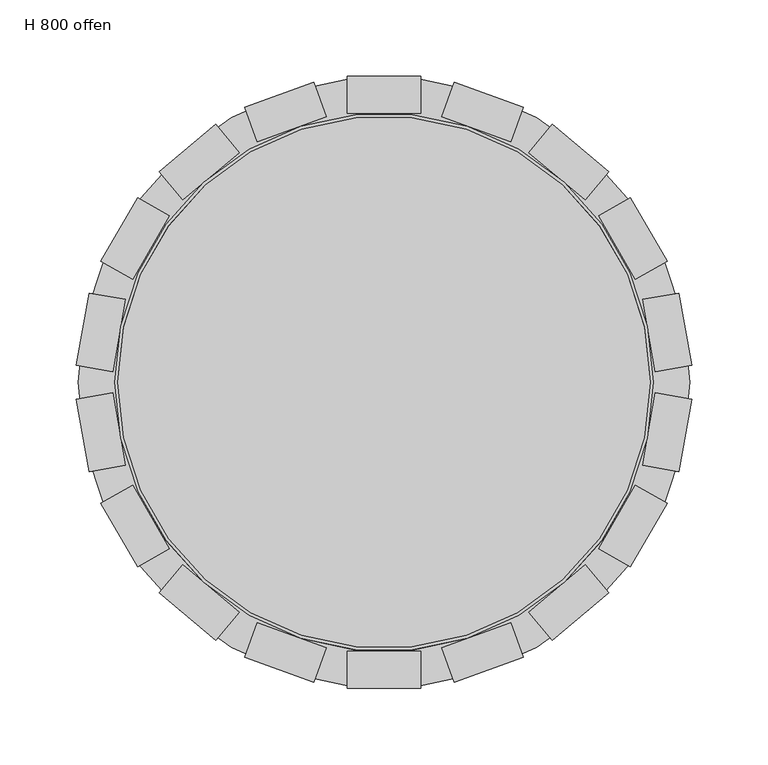
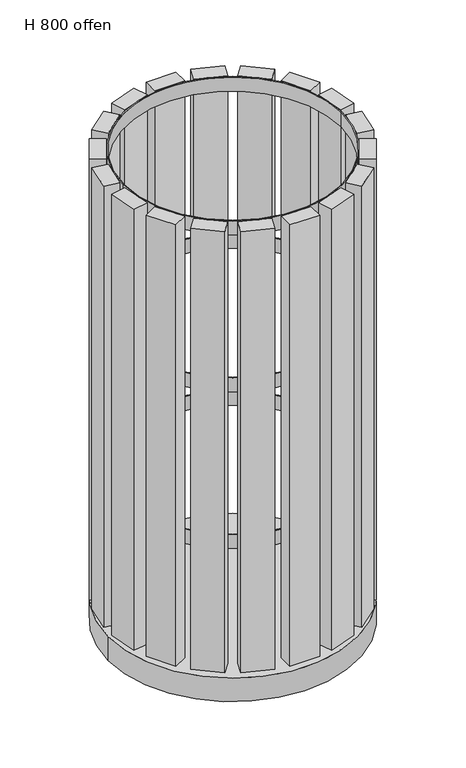
"""IFC4 building model written with IfcOpenShell, lengths in millimetres: proxy geometry, H 800 offen."""

from ifc_helpers import new_model, si_unit, point, frame, origin, origin_with_axes, origin_2d, place, context, project, spatial, polyline, circle_curve, trimmed, segment, composite_curve, outline, extrude, source, transform, mapped, element, save


def h_800_offen_db2ab96f(model_context):
    return source(origin(), model_context, "Body", "SweptSolid", [
        extrude(outline(composite_curve([segment(trimmed(circle_curve(origin_2d(), 176.0), [point((-176.0, 0.0))], [point((176.0, 0.0))], False, "CARTESIAN"), True, "CONTINUOUS"), segment(trimmed(circle_curve(origin_2d(), 176.0), [point((176.0, 0.0))], [point((-176.0, 0.0))], False, "CARTESIAN"), True, "CONTINUOUS")], self_intersect=False), holes=[composite_curve([segment(trimmed(circle_curve(origin_2d(), 174.0), [point((174.0, 0.0))], [point((-174.0, 0.0))], True, "CARTESIAN"), True, "CONTINUOUS"), segment(trimmed(circle_curve(origin_2d(), 174.0), [point((-174.0, 0.0))], [point((174.0, 0.0))], True, "CARTESIAN"), True, "CONTINUOUS")], self_intersect=False)]), frame((0.0, 0.0, 242.6666667), z_axis=(0.0, 0.0, 1.0), x_axis=(1.0, 0.0, 0.0)), (0.0, 0.0, 1.0), 24.0),
        extrude(outline(composite_curve([segment(trimmed(circle_curve(origin_2d(), 176.0), [point((-176.0, 0.0))], [point((176.0, 0.0))], False, "CARTESIAN"), True, "CONTINUOUS"), segment(trimmed(circle_curve(origin_2d(), 176.0), [point((176.0, 0.0))], [point((-176.0, 0.0))], False, "CARTESIAN"), True, "CONTINUOUS")], self_intersect=False), holes=[composite_curve([segment(trimmed(circle_curve(origin_2d(), 174.0), [point((174.0, 0.0))], [point((-174.0, 0.0))], True, "CARTESIAN"), True, "CONTINUOUS"), segment(trimmed(circle_curve(origin_2d(), 174.0), [point((-174.0, 0.0))], [point((174.0, 0.0))], True, "CARTESIAN"), True, "CONTINUOUS")], self_intersect=False)]), frame((0.0, 0.0, 509.3333333), z_axis=(0.0, 0.0, 1.0), x_axis=(1.0, 0.0, 0.0)), (0.0, 0.0, 1.0), 24.0),
        extrude(outline(composite_curve([segment(trimmed(circle_curve(origin_2d(), 176.0), [point((-176.0, 0.0))], [point((176.0, 0.0))], False, "CARTESIAN"), True, "CONTINUOUS"), segment(trimmed(circle_curve(origin_2d(), 176.0), [point((176.0, 0.0))], [point((-176.0, 0.0))], False, "CARTESIAN"), True, "CONTINUOUS")], self_intersect=False), holes=[composite_curve([segment(trimmed(circle_curve(origin_2d(), 174.0), [point((174.0, 0.0))], [point((-174.0, 0.0))], True, "CARTESIAN"), True, "CONTINUOUS"), segment(trimmed(circle_curve(origin_2d(), 174.0), [point((-174.0, 0.0))], [point((174.0, 0.0))], True, "CARTESIAN"), True, "CONTINUOUS")], self_intersect=False)]), frame((0.0, 0.0, 776.0), z_axis=(0.0, 0.0, 1.0), x_axis=(1.0, 0.0, 0.0)), (0.0, 0.0, 1.0), 24.0),
        extrude(outline(composite_curve([segment(trimmed(circle_curve(origin_2d(), 200.0), [point((-200.0, 0.0))], [point((200.0, 0.0))], False, "CARTESIAN"), True, "CONTINUOUS"), segment(trimmed(circle_curve(origin_2d(), 200.0), [point((200.0, 0.0))], [point((-200.0, 0.0))], False, "CARTESIAN"), True, "CONTINUOUS")], self_intersect=False)), origin_with_axes(), (0.0, 0.0, 1.0), 40.0),
        extrude(outline(polyline([(146.9425886, 137.781986), (131.5156859, 119.3969194), (94.7455527, 150.2507246), (110.1724553, 168.6357913), (146.9425886, 137.781986)])), frame((0.0, 0.0, 50.0), z_axis=(0.0, 0.0, 1.0), x_axis=(1.0, 0.0, 0.0)), (0.0, 0.0, 1.0), 750.0),
        extrude(outline(polyline([(185.2050808, 79.2153903), (164.4204711, 67.2153903), (140.4204711, 108.7846097), (161.2050808, 120.7846097), (185.2050808, 79.2153903)])), frame((0.0, 0.0, 50.0), z_axis=(0.0, 0.0, 1.0), x_axis=(1.0, 0.0, 0.0)), (0.0, 0.0, 1.0), 750.0),
        extrude(outline(polyline([(201.1291069, 11.0942495), (177.4937208, 6.9266932), (169.1586083, 54.1974653), (192.7939943, 58.3650216), (201.1291069, 11.0942495)])), frame((0.0, 0.0, 50.0), z_axis=(0.0, 0.0, 1.0), x_axis=(1.0, 0.0, 0.0)), (0.0, 0.0, 1.0), 750.0),
        extrude(outline(polyline([(192.7939943, -58.3650216), (169.1586083, -54.1974653), (177.4937208, -6.9266932), (201.1291069, -11.0942495), (192.7939943, -58.3650216)])), frame((0.0, 0.0, 50.0), z_axis=(0.0, 0.0, 1.0), x_axis=(1.0, 0.0, 0.0)), (0.0, 0.0, 1.0), 750.0),
        extrude(outline(polyline([(161.2050808, -120.7846097), (140.4204711, -108.7846097), (164.4204711, -67.2153903), (185.2050808, -79.2153903), (161.2050808, -120.7846097)])), frame((0.0, 0.0, 50.0), z_axis=(0.0, 0.0, 1.0), x_axis=(1.0, 0.0, 0.0)), (0.0, 0.0, 1.0), 750.0),
        extrude(outline(polyline([(110.1724553, -168.6357913), (94.7455527, -150.2507246), (131.5156859, -119.3969194), (146.9425886, -137.781986), (110.1724553, -168.6357913)])), frame((0.0, 0.0, 50.0), z_axis=(0.0, 0.0, 1.0), x_axis=(1.0, 0.0, 0.0)), (0.0, 0.0, 1.0), 750.0),
        extrude(outline(polyline([(45.8514058, -196.1470076), (37.6429223, -173.5943847), (82.7481681, -157.1774178), (90.9566516, -179.7300407), (45.8514058, -196.1470076)])), frame((0.0, 0.0, 50.0), z_axis=(0.0, 0.0, 1.0), x_axis=(1.0, 0.0, 0.0)), (0.0, 0.0, 1.0), 750.0),
        extrude(outline(polyline([(-24.0, -200.0), (-24.0, -176.0), (24.0, -176.0), (24.0, -200.0), (-24.0, -200.0)])), frame((0.0, 0.0, 50.0), z_axis=(0.0, 0.0, 1.0), x_axis=(1.0, 0.0, 0.0)), (0.0, 0.0, 1.0), 750.0),
        extrude(outline(polyline([(-90.9566516, -179.7300407), (-82.7481681, -157.1774178), (-37.6429223, -173.5943847), (-45.8514058, -196.1470076), (-90.9566516, -179.7300407)])), frame((0.0, 0.0, 50.0), z_axis=(0.0, 0.0, 1.0), x_axis=(1.0, 0.0, 0.0)), (0.0, 0.0, 1.0), 750.0),
        extrude(outline(polyline([(-146.9425886, -137.781986), (-131.5156859, -119.3969194), (-94.7455527, -150.2507246), (-110.1724553, -168.6357913), (-146.9425886, -137.781986)])), frame((0.0, 0.0, 50.0), z_axis=(0.0, 0.0, 1.0), x_axis=(1.0, 0.0, 0.0)), (0.0, 0.0, 1.0), 750.0),
        extrude(outline(polyline([(-185.2050808, -79.2153903), (-164.4204711, -67.2153903), (-140.4204711, -108.7846097), (-161.2050808, -120.7846097), (-185.2050808, -79.2153903)])), frame((0.0, 0.0, 50.0), z_axis=(0.0, 0.0, 1.0), x_axis=(1.0, 0.0, 0.0)), (0.0, 0.0, 1.0), 750.0),
        extrude(outline(polyline([(-201.1291069, -11.0942495), (-177.4937208, -6.9266932), (-169.1586083, -54.1974653), (-192.7939943, -58.3650216), (-201.1291069, -11.0942495)])), frame((0.0, 0.0, 50.0), z_axis=(0.0, 0.0, 1.0), x_axis=(1.0, 0.0, 0.0)), (0.0, 0.0, 1.0), 750.0),
        extrude(outline(polyline([(-192.7939943, 58.3650216), (-169.1586083, 54.1974653), (-177.4937208, 6.9266932), (-201.1291069, 11.0942495), (-192.7939943, 58.3650216)])), frame((0.0, 0.0, 50.0), z_axis=(0.0, 0.0, 1.0), x_axis=(1.0, 0.0, 0.0)), (0.0, 0.0, 1.0), 750.0),
        extrude(outline(polyline([(-161.2050808, 120.7846097), (-140.4204711, 108.7846097), (-164.4204711, 67.2153903), (-185.2050808, 79.2153903), (-161.2050808, 120.7846097)])), frame((0.0, 0.0, 50.0), z_axis=(0.0, 0.0, 1.0), x_axis=(1.0, 0.0, 0.0)), (0.0, 0.0, 1.0), 750.0),
        extrude(outline(polyline([(-110.1724553, 168.6357913), (-94.7455527, 150.2507246), (-131.5156859, 119.3969194), (-146.9425886, 137.781986), (-110.1724553, 168.6357913)])), frame((0.0, 0.0, 50.0), z_axis=(0.0, 0.0, 1.0), x_axis=(1.0, 0.0, 0.0)), (0.0, 0.0, 1.0), 750.0),
        extrude(outline(polyline([(-45.8514058, 196.1470076), (-37.6429223, 173.5943847), (-82.7481681, 157.1774178), (-90.9566516, 179.7300407), (-45.8514058, 196.1470076)])), frame((0.0, 0.0, 50.0), z_axis=(0.0, 0.0, 1.0), x_axis=(1.0, 0.0, 0.0)), (0.0, 0.0, 1.0), 750.0),
        extrude(outline(polyline([(90.9566516, 179.7300407), (82.7481681, 157.1774178), (37.6429223, 173.5943847), (45.8514058, 196.1470076), (90.9566516, 179.7300407)])), frame((0.0, 0.0, 50.0), z_axis=(0.0, 0.0, 1.0), x_axis=(1.0, 0.0, 0.0)), (0.0, 0.0, 1.0), 750.0),
        extrude(outline(polyline([(24.0, 200.0), (24.0, 176.0), (-24.0, 176.0), (-24.0, 200.0), (24.0, 200.0)])), frame((0.0, 0.0, 50.0), z_axis=(0.0, 0.0, 1.0), x_axis=(1.0, 0.0, 0.0)), (0.0, 0.0, 1.0), 750.0),
    ])


if __name__ == "__main__":
    model = new_model("IFC4")
    model_context = context("Model", 3, world=origin())
    ifc_project = project(units=[si_unit("LENGTHUNIT", "METRE", prefix="MILLI")], contexts=[model_context])
    site = spatial("IfcSite", under=ifc_project)
    building = spatial("IfcBuilding", under=site)
    placement = place(None, origin())
    h_800_offen_shape = h_800_offen_db2ab96f(model_context)
    element("IfcBuildingElementProxy", 1, Name="H 800 offen", ObjectType="H 800 offen", at=placement, inside=building, context=model_context, shape_type="MappedRepresentation", body=[
        mapped(h_800_offen_shape, transform((0.0, 0.0, 0.0), x_axis=(1.0, 0.0, 0.0), y_axis=(0.0, 1.0, 0.0), z_axis=(0.0, 0.0, 1.0))),
    ])
    save(model, "model.ifc")
